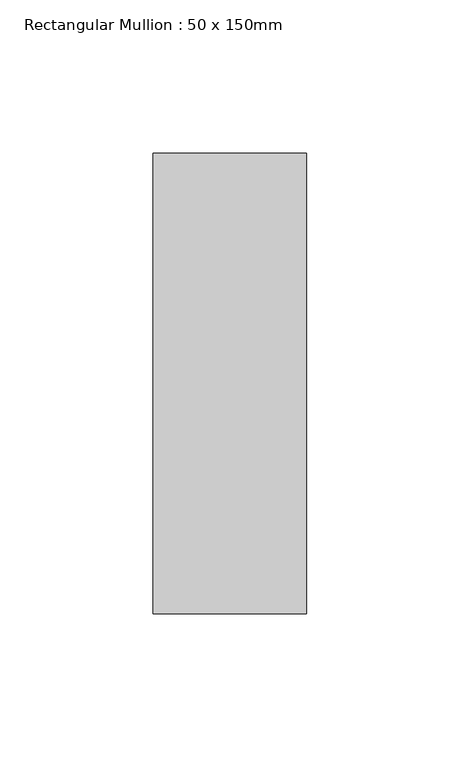
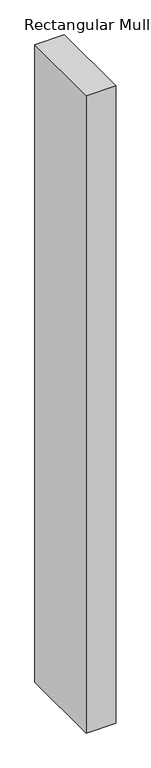
"""IFC4 building model written with IfcOpenShell, lengths in millimetres: member geometry, Rectangular Mullion : 50 x 150mm."""

from ifc_helpers import new_model, si_unit, frame, origin, place, context, project, spatial, polyline, outline, extrude, source, transform, mapped, element, save


def rectangular_mullion_50_x_150mm_670bf2d0(model_context):
    return source(origin(), model_context, "Body", "SweptSolid", [
        extrude(outline(polyline([(25.0, 75.0), (25.0, -75.0), (-25.0, -75.0), (-25.0, 75.0), (25.0, 75.0)])), frame((0.0, 0.0, -1140.8204853), z_axis=(0.0, 0.0, 1.0), x_axis=(1.0, 0.0, 0.0)), (0.0, 0.0, 1.0), 1140.8204853),
    ])


if __name__ == "__main__":
    model = new_model("IFC4")
    model_context = context("Model", 3, world=origin())
    ifc_project = project(units=[si_unit("LENGTHUNIT", "METRE", prefix="MILLI")], contexts=[model_context])
    site = spatial("IfcSite", under=ifc_project)
    building = spatial("IfcBuilding", under=site)
    placement = place(None, origin())
    rectangular_mullion_50_x_150mm_shape = rectangular_mullion_50_x_150mm_670bf2d0(model_context)
    element("IfcMember", 1, ObjectType="Rectangular Mullion : 50 x 150mm", at=placement, inside=building, context=model_context, shape_type="MappedRepresentation", body=[
        mapped(rectangular_mullion_50_x_150mm_shape, transform((0.0, 0.0, 0.0), x_axis=(1.0, 0.0, 0.0), y_axis=(0.0, 1.0, 0.0), z_axis=(0.0, 0.0, 1.0))),
    ])
    save(model, "model.ifc")
